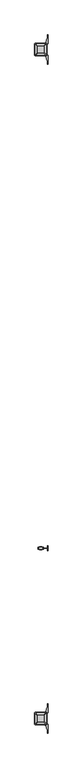
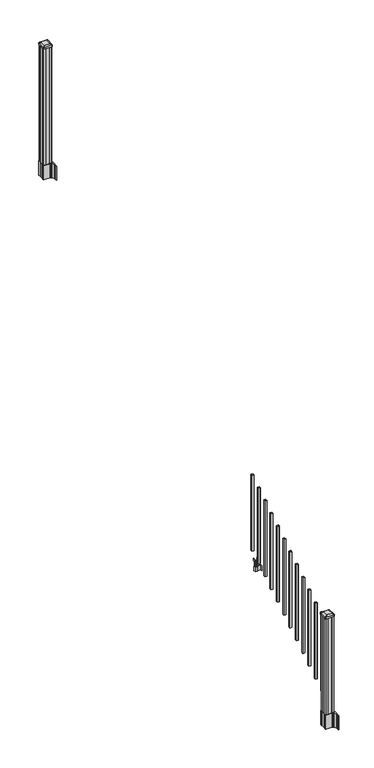
"""IFC4 building model written with IfcOpenShell, lengths in millimetres: railing geometry."""

from ifc_helpers import new_model, si_unit, point, frame, frame_2d, origin, place, context, project, spatial, polyline, circle_curve, trimmed, segment, composite_curve, outline, extrude, source, transform, mapped, element, save
from ifc_brep_helpers import plane_surface, extruded_surface, advanced_brep


def railing_d8ca8289(model_context):
    return source(origin(), model_context, "Body", "SolidModel", [
        extrude(outline(polyline([(7302.5407728, -128101.8918453), (7302.5407728, -128082.8418453), (7321.5907728, -128082.8418453), (7321.5907728, -128101.8918453), (7302.5407728, -128101.8918453)]), holes=[polyline([(7302.9376478, -128101.4949703), (7321.1938978, -128101.4949703), (7321.1938978, -128083.2387203), (7302.9376478, -128083.2387203), (7302.9376478, -128101.4949703)])]), frame((0.0, 0.0, 1089.6558781), z_axis=(0.0, 0.0, 1.0), x_axis=(1.0, 0.0, 0.0)), (0.0, 0.0, 1.0), 812.8041219),
        extrude(outline(polyline([(7322.7337726, -128149.2628453), (7322.7337726, -128146.7228453), (7362.1037728, -128146.7228453), (7362.1037728, -128149.2628453), (7322.7337726, -128149.2628453)])), frame((0.0, 0.0, 902.49375), z_axis=(0.0, 0.0, 1.0), x_axis=(1.0, 0.0, 0.0)), (0.0, 0.0, 1.0), 50.8),
        extrude(outline(polyline([(7362.1037728, -128167.0428453), (7362.1037728, -128128.9428453), (7364.6437728, -128128.9428453), (7364.6437728, -128167.0428453), (7362.1037728, -128167.0428453)])), frame((0.0, 0.0, 902.49375), z_axis=(0.0, 0.0, 1.0), x_axis=(1.0, 0.0, 0.0)), (0.0, 0.0, 1.0), 50.8),
        extrude(outline(polyline([(7301.397772, -128157.8988453), (7301.397772, -128138.0868453), (7322.7337726, -128138.0868453), (7322.7337726, -128157.8988453), (7301.397772, -128157.8988453)]), holes=[polyline([(7304.6997721, -128155.3588453), (7319.4317725, -128155.3588453), (7319.4317725, -128140.6268453), (7304.6997721, -128140.6268453), (7304.6997721, -128155.3588453)])]), frame((0.0, 0.0, 902.49375), z_axis=(0.0, 0.0, 1.0), x_axis=(1.0, 0.0, 0.0)), (0.0, 0.0, 1.0), 50.8),
        extrude(outline(polyline([(1042.0141479, 7330.2267716), (1042.0141479, 7328.194772), (1040.9981453, 7327.1787722), (1030.5623581, 7327.1787722), (1029.5463573, 7328.194772), (1017.555751, 7328.194772), (1016.7937519, 7327.4327729), (1016.7937519, 7296.6987717), (1017.555751, 7295.9367726), (1029.5463573, 7295.9367726), (1030.5623581, 7296.9527724), (1040.9981453, 7296.9527724), (1042.0141479, 7295.9367726), (1042.0141479, 7293.904773), (1041.2521469, 7293.142772), (1014.7617523, 7293.142772), (1013.9997513, 7293.904773), (1013.9997513, 7303.937772), (1013.2377512, 7304.6997721), (949.7377512, 7304.6997721), (949.7377512, 7319.4317725), (1013.2377512, 7319.4317725), (1013.9997513, 7320.1937726), (1013.9997513, 7330.2267716), (1014.7617523, 7330.9887726), (1041.2521469, 7330.9887726), (1042.0141479, 7330.2267716)]), holes=[polyline([(1013.9997513, 7308.6367724), (1013.9997513, 7315.4947722), (1013.2377512, 7316.2567723), (957.2307503, 7316.2567723), (956.4687531, 7315.4947751), (956.4687531, 7308.6367724), (957.2307531, 7307.8747723), (1013.2377512, 7307.8747723), (1013.9997513, 7308.6367724)])]), frame((0.0, -128155.3588453, 0.0), z_axis=(0.0, 1.0, 0.0), x_axis=(0.0, 0.0, 1.0)), (0.0, 0.0, 1.0), 14.732),
        extrude(outline(polyline([(7302.5407728, -128213.1438453), (7302.5407728, -128194.0938453), (7321.5907728, -128194.0938453), (7321.5907728, -128213.1438453), (7302.5407728, -128213.1438453)]), holes=[polyline([(7302.9376478, -128212.7469703), (7321.1938978, -128212.7469703), (7321.1938978, -128194.4907203), (7302.9376478, -128194.4907203), (7302.9376478, -128212.7469703)])]), frame((0.0, 0.0, 1020.1233781), z_axis=(0.0, 0.0, 1.0), x_axis=(1.0, 0.0, 0.0)), (0.0, 0.0, 1.0), 812.8041219),
        extrude(outline(polyline([(7302.5407728, -128324.3958453), (7302.5407728, -128305.3458453), (7321.5907728, -128305.3458453), (7321.5907728, -128324.3958453), (7302.5407728, -128324.3958453)]), holes=[polyline([(7302.9376478, -128323.9989703), (7321.1938978, -128323.9989703), (7321.1938978, -128305.7427203), (7302.9376478, -128305.7427203), (7302.9376478, -128323.9989703)])]), frame((0.0, 0.0, 950.5908781), z_axis=(0.0, 0.0, 1.0), x_axis=(1.0, 0.0, 0.0)), (0.0, 0.0, 1.0), 812.8041219),
        extrude(outline(polyline([(7302.5407728, -128435.6478453), (7302.5407728, -128416.5978453), (7321.5907728, -128416.5978453), (7321.5907728, -128435.6478453), (7302.5407728, -128435.6478453)]), holes=[polyline([(7302.9376478, -128435.2509703), (7321.1938978, -128435.2509703), (7321.1938978, -128416.9947203), (7302.9376478, -128416.9947203), (7302.9376478, -128435.2509703)])]), frame((0.0, 0.0, 881.0583781), z_axis=(0.0, 0.0, 1.0), x_axis=(1.0, 0.0, 0.0)), (0.0, 0.0, 1.0), 812.8041219),
        extrude(outline(polyline([(7302.5407728, -128546.8998453), (7302.5407728, -128527.8498453), (7321.5907728, -128527.8498453), (7321.5907728, -128546.8998453), (7302.5407728, -128546.8998453)]), holes=[polyline([(7302.9376478, -128546.5029703), (7321.1938978, -128546.5029703), (7321.1938978, -128528.2467203), (7302.9376478, -128528.2467203), (7302.9376478, -128546.5029703)])]), frame((0.0, 0.0, 811.5258781), z_axis=(0.0, 0.0, 1.0), x_axis=(1.0, 0.0, 0.0)), (0.0, 0.0, 1.0), 812.8041219),
        extrude(outline(polyline([(7302.5407728, -128658.1518453), (7302.5407728, -128639.1018453), (7321.5907728, -128639.1018453), (7321.5907728, -128658.1518453), (7302.5407728, -128658.1518453)]), holes=[polyline([(7302.9376478, -128657.7549703), (7321.1938978, -128657.7549703), (7321.1938978, -128639.4987203), (7302.9376478, -128639.4987203), (7302.9376478, -128657.7549703)])]), frame((0.0, 0.0, 741.9933781), z_axis=(0.0, 0.0, 1.0), x_axis=(1.0, 0.0, 0.0)), (0.0, 0.0, 1.0), 812.8041219),
        extrude(outline(polyline([(7302.5407728, -128769.4038453), (7302.5407728, -128750.3538453), (7321.5907728, -128750.3538453), (7321.5907728, -128769.4038453), (7302.5407728, -128769.4038453)]), holes=[polyline([(7302.9376478, -128769.0069703), (7321.1938978, -128769.0069703), (7321.1938978, -128750.7507203), (7302.9376478, -128750.7507203), (7302.9376478, -128769.0069703)])]), frame((0.0, 0.0, 672.4608781), z_axis=(0.0, 0.0, 1.0), x_axis=(1.0, 0.0, 0.0)), (0.0, 0.0, 1.0), 812.8041219),
        extrude(outline(polyline([(7302.5407728, -128880.6558453), (7302.5407728, -128861.6058453), (7321.5907728, -128861.6058453), (7321.5907728, -128880.6558453), (7302.5407728, -128880.6558453)]), holes=[polyline([(7302.9376478, -128880.2589703), (7321.1938978, -128880.2589703), (7321.1938978, -128862.0027203), (7302.9376478, -128862.0027203), (7302.9376478, -128880.2589703)])]), frame((0.0, 0.0, 602.9283781), z_axis=(0.0, 0.0, 1.0), x_axis=(1.0, 0.0, 0.0)), (0.0, 0.0, 1.0), 812.8041219),
        extrude(outline(polyline([(7302.5407728, -128991.9078453), (7302.5407728, -128972.8578453), (7321.5907728, -128972.8578453), (7321.5907728, -128991.9078453), (7302.5407728, -128991.9078453)]), holes=[polyline([(7302.9376478, -128991.5109703), (7321.1938978, -128991.5109703), (7321.1938978, -128973.2547203), (7302.9376478, -128973.2547203), (7302.9376478, -128991.5109703)])]), frame((0.0, 0.0, 533.3958781), z_axis=(0.0, 0.0, 1.0), x_axis=(1.0, 0.0, 0.0)), (0.0, 0.0, 1.0), 812.8041219),
        extrude(outline(polyline([(7302.5407728, -129103.1598453), (7302.5407728, -129084.1098453), (7321.5907728, -129084.1098453), (7321.5907728, -129103.1598453), (7302.5407728, -129103.1598453)]), holes=[polyline([(7302.9376478, -129102.7629703), (7321.1938978, -129102.7629703), (7321.1938978, -129084.5067203), (7302.9376478, -129084.5067203), (7302.9376478, -129102.7629703)])]), frame((0.0, 0.0, 463.8633781), z_axis=(0.0, 0.0, 1.0), x_axis=(1.0, 0.0, 0.0)), (0.0, 0.0, 1.0), 812.8041219),
        extrude(outline(polyline([(7302.5407728, -129214.4118453), (7302.5407728, -129195.3618453), (7321.5907728, -129195.3618453), (7321.5907728, -129214.4118453), (7302.5407728, -129214.4118453)]), holes=[polyline([(7302.9376478, -129214.0149703), (7321.1938978, -129214.0149703), (7321.1938978, -129195.7587203), (7302.9376478, -129195.7587203), (7302.9376478, -129214.0149703)])]), frame((0.0, 0.0, 394.3308781), z_axis=(0.0, 0.0, 1.0), x_axis=(1.0, 0.0, 0.0)), (0.0, 0.0, 1.0), 812.8041219),
        extrude(outline(polyline([(7302.5407728, -129325.6638453), (7302.5407728, -129306.6138453), (7321.5907728, -129306.6138453), (7321.5907728, -129325.6638453), (7302.5407728, -129325.6638453)]), holes=[polyline([(7302.9376478, -129325.2669703), (7321.1938978, -129325.2669703), (7321.1938978, -129307.0107203), (7302.9376478, -129307.0107203), (7302.9376478, -129325.2669703)])]), frame((0.0, 0.0, 324.7983781), z_axis=(0.0, 0.0, 1.0), x_axis=(1.0, 0.0, 0.0)), (0.0, 0.0, 1.0), 812.8041219),
        extrude(outline(polyline([(7351.7532728, -124491.5358453), (7332.1317728, -124491.5358453), (7331.3697728, -124489.9483453), (7292.7617728, -124489.9483453), (7291.9997728, -124491.5358453), (7272.3782728, -124491.5358453), (7270.7907728, -124489.9483453), (7270.7907728, -124470.3268453), (7272.3782728, -124469.5648453), (7272.3782728, -124430.9568453), (7270.7907728, -124430.1948453), (7270.7907728, -124410.5733453), (7272.3782728, -124408.9858453), (7291.9997728, -124408.9858453), (7292.7617728, -124410.5733453), (7331.3697728, -124410.5733453), (7332.1317728, -124408.9858453), (7351.7532728, -124408.9858453), (7353.3407728, -124410.5733453), (7353.3407728, -124430.1948453), (7351.7532728, -124430.9568453), (7351.7532728, -124469.5648453), (7353.3407728, -124470.3268453), (7353.3407728, -124489.9483453), (7351.7532728, -124491.5358453)])), frame((0.0, 0.0, 3048.0), z_axis=(0.0, 0.0, 1.0), x_axis=(1.0, 0.0, 0.0)), (0.0, 0.0, 1.0), 1247.740513),
        extrude(outline(composite_curve([segment(polyline([(7269.3302728, -124467.6469401), (7269.3302728, -124432.8747504), (7267.7427728, -124432.1127504), (7267.7427728, -124409.3108224), (7271.1157498, -124405.9378453), (7332.5754206, -124405.9378453), (7332.5754206, -124405.0170953), (7337.8929645, -124405.0170953), (7337.8929645, -124403.5628406), (7342.9774942, -124403.5628406), (7342.9774942, -124402.2788168), (7344.6447665, -124402.2788168)]), True, "CONTINUOUS"), segment(trimmed(circle_curve(frame_2d((7344.6447665, -124395.2193569)), 7.0594599), [point((7344.6447665, -124402.2788168))], [point((7351.4120293, -124397.2293636))], True, "CARTESIAN"), True, "CONTINUOUS"), segment(polyline([(7351.4120293, -124397.2293636), (7359.2862236, -124370.7186345)]), True, "CONTINUOUS"), segment(trimmed(circle_curve(frame_2d((7304.5017103, -124354.4465848)), 57.15), [point((7359.2862236, -124370.7186345))], [point((7361.6517103, -124354.4465848))], True, "CARTESIAN"), True, "CONTINUOUS"), segment(polyline([(7361.6517103, -124354.4465848), (7361.6517103, -124342.4378453), (7364.6517103, -124342.4378453), (7364.6517103, -124407.5253453), (7356.3887728, -124418.8636366), (7356.3887728, -124432.1127504), (7354.8012728, -124432.8747504), (7354.8012728, -124467.6469401), (7356.3887728, -124468.4089401), (7356.3887728, -124481.658054), (7364.6517103, -124492.9963453), (7364.6517103, -124558.0838453), (7361.6517103, -124558.0838453), (7361.6517103, -124546.0751057)]), True, "CONTINUOUS"), segment(trimmed(circle_curve(frame_2d((7304.5017103, -124546.0751057)), 57.15), [point((7361.6517103, -124546.0751057))], [point((7359.2862236, -124529.8030561))], True, "CARTESIAN"), True, "CONTINUOUS"), segment(polyline([(7359.2862236, -124529.8030561), (7351.4120293, -124503.292327)]), True, "CONTINUOUS"), segment(trimmed(circle_curve(frame_2d((7344.6447665, -124505.3023337)), 7.0594599), [point((7351.4120293, -124503.292327))], [point((7344.6447665, -124498.2428738))], True, "CARTESIAN"), True, "CONTINUOUS"), segment(polyline([(7344.6447665, -124498.2428738), (7342.9774942, -124498.2428738), (7342.9774942, -124496.95885), (7337.8929645, -124496.95885), (7337.8929645, -124495.5045953), (7332.5754206, -124495.5045953), (7332.5754206, -124494.5838453), (7271.1157498, -124494.5838453), (7267.7427728, -124491.2108682), (7267.7427728, -124468.4089401), (7269.3302728, -124467.6469401)]), True, "CONTINUOUS")], self_intersect=False), holes=[polyline([(7353.3407728, -124410.5733453), (7351.7532728, -124408.9858453), (7314.8289902, -124408.9858453), (7272.3782728, -124408.9858453), (7270.7907728, -124410.5733453), (7270.7907728, -124489.9483453), (7272.3782728, -124491.5358453), (7314.8289902, -124491.5358453), (7351.7532728, -124491.5358453), (7353.3407728, -124489.9483453), (7353.3407728, -124410.5733453)])]), frame((0.0, 0.0, 2895.6), z_axis=(0.0, 0.0, 1.0), x_axis=(1.0, 0.0, 0.0)), (0.0, 0.0, 1.0), 152.4),
        advanced_brep(
        [(7337.8626478, -124479.2327203, 4324.315513), (7341.0376478, -124476.0577203, 4324.315513), (7341.0376478, -124424.4639703, 4324.315513), (7337.8626478, -124421.2889703, 4324.315513), (7286.2688978, -124421.2889703, 4324.315513), (7283.0938978, -124424.4639703, 4324.315513), (7283.0938978, -124476.0577203, 4324.315513), (7286.2688978, -124479.2327203, 4324.315513), (7354.1345228, -124495.5045953, 4313.012513), (7269.9970228, -124495.5045953, 4313.012513), (7266.8220228, -124492.3295953, 4313.012513), (7266.8220228, -124408.1920953, 4313.012513), (7269.9970228, -124405.0170953, 4313.012513), (7354.1345228, -124405.0170953, 4313.012513), (7357.3095228, -124408.1920953, 4313.012513), (7357.3095228, -124492.3295953, 4313.012513)],
        [
            (0, 1, circle_curve(frame((7337.8626478, -124476.0577203, 4324.315513), z_axis=(0.0, 0.0, 1.0), x_axis=(0.0, 1.0, 0.0)), 3.175)),
            (1, 2),
            (2, 3, circle_curve(frame((7337.8626478, -124424.4639703, 4324.315513), z_axis=(0.0, 0.0, 1.0), x_axis=(0.0, 1.0, 0.0)), 3.175)),
            (3, 4),
            (4, 5, circle_curve(frame((7286.2688978, -124424.4639703, 4324.315513), z_axis=(0.0, 0.0, 1.0), x_axis=(0.0, 1.0, 0.0)), 3.175)),
            (5, 6),
            (6, 7, circle_curve(frame((7286.2688978, -124476.0577203, 4324.315513), z_axis=(0.0, 0.0, 1.0), x_axis=(0.0, 1.0, 0.0)), 3.175)),
            (7, 0),
            (8, 9),
            (9, 10, circle_curve(frame((7269.9970228, -124492.3295953, 4313.012513), z_axis=(0.0, 0.0, -1.0), x_axis=(0.0, 1.0, 0.0)), 3.175)),
            (10, 11),
            (11, 12, circle_curve(frame((7269.9970228, -124408.1920953, 4313.012513), z_axis=(0.0, 0.0, -1.0), x_axis=(0.0, 1.0, 0.0)), 3.175)),
            (12, 13),
            (13, 14, circle_curve(frame((7354.1345228, -124408.1920953, 4313.012513), z_axis=(0.0, 0.0, -1.0), x_axis=(0.0, 1.0, 0.0)), 3.175)),
            (14, 15),
            (15, 8, circle_curve(frame((7354.1345228, -124492.3295953, 4313.012513), z_axis=(0.0, 0.0, -1.0), x_axis=(0.0, 1.0, 0.0)), 3.175)),
            (15, 1),
            (0, 8),
            (14, 2),
            (13, 3),
            (12, 4),
            (11, 5),
            (10, 6),
            (9, 7),
        ],
        [
            plane_surface(frame((7312.0657728, -124450.2608453, 4324.315513), z_axis=(0.0, 0.0, 1.0), x_axis=(1.0, 0.0, 0.0))),
            plane_surface(frame((7312.0657728, -124450.2608453, 4313.012513), z_axis=(0.0, 0.0, -1.0), x_axis=(1.0, 0.0, 0.0))),
            extruded_surface(trimmed(circle_curve(frame((7354.1345228, -124492.3295953, 4313.012513), z_axis=(0.0, 0.0, 1.0), x_axis=(0.0, 1.0, 0.0)), 3.175), [point((7354.1345228, -124495.5045953, 4313.012513))], [point((7357.3095228, -124492.3295953, 4313.012513))], True, "CARTESIAN"), (-16.271875000000364, 16.27187500000582, 11.302999999999884), 25.637972638870036),
            plane_surface(frame((7357.3095228, -124450.2608453, 4313.012513), z_axis=(0.5705009161540687, 0.0, 0.8212969649690472), x_axis=(0.0, 1.0, 0.0))),
            extruded_surface(trimmed(circle_curve(frame((7354.1345228, -124408.1920953, 4313.012513), z_axis=(0.0, 0.0, 1.0), x_axis=(0.0, 1.0, 0.0)), 3.175), [point((7357.3095228, -124408.1920953, 4313.012513))], [point((7354.1345228, -124405.0170953, 4313.012513))], True, "CARTESIAN"), (-16.271875000000364, -16.27187500000582, 11.302999999999884), 25.637972638870036),
            plane_surface(frame((7312.0657728, -124405.0170953, 4313.012513), z_axis=(0.0, 0.5705009161540291, 0.8212969649690747), x_axis=(-1.0, 0.0, 0.0))),
            extruded_surface(trimmed(circle_curve(frame((7269.9970228, -124408.1920953, 4313.012513), z_axis=(0.0, 0.0, 1.0), x_axis=(0.0, 1.0, 0.0)), 3.175), [point((7269.9970228, -124405.0170953, 4313.012513))], [point((7266.8220228, -124408.1920953, 4313.012513))], True, "CARTESIAN"), (16.271874999999454, -16.27187500000582, 11.302999999999884), 25.63797263886946),
            plane_surface(frame((7266.8220228, -124450.2608453, 4313.012513), z_axis=(-0.5705009161540233, 0.0, 0.8212969649690787), x_axis=(0.0, -1.0, 0.0))),
            extruded_surface(trimmed(circle_curve(frame((7269.9970228, -124492.3295953, 4313.012513), z_axis=(0.0, 0.0, 1.0), x_axis=(0.0, 1.0, 0.0)), 3.175), [point((7266.8220228, -124492.3295953, 4313.012513))], [point((7269.9970228, -124495.5045953, 4313.012513))], True, "CARTESIAN"), (16.271874999999454, 16.27187500000582, 11.302999999999884), 25.63797263886946),
            plane_surface(frame((7312.0657728, -124495.5045953, 4313.012513), z_axis=(0.0, -0.570500916154034, 0.8212969649690713), x_axis=(1.0, 0.0, 0.0))),
        ],
        [
            (0, [[1, 2, 3, 4, 5, 6, 7, 8]]),
            (1, [[9, 10, 11, 12, 13, 14, 15, 16]]),
            (2, [[-16, 17, -1, 18]]),
            (3, [[-15, 19, -2, -17]]),
            (4, [[-14, 20, -3, -19]]),
            (5, [[-13, 21, -4, -20]]),
            (6, [[-12, 22, -5, -21]]),
            (7, [[-11, 23, -6, -22]]),
            (8, [[-10, 24, -7, -23]]),
            (9, [[-9, -18, -8, -24]]),
        ],
    ),
        extrude(outline(composite_curve([segment(polyline([(7354.1345228, -124495.5045953), (7269.9970228, -124495.5045953)]), True, "CONTINUOUS"), segment(trimmed(circle_curve(frame_2d((7269.9970228, -124492.3295953)), 3.175), [point((7269.9970228, -124495.5045953))], [point((7266.8220228, -124492.3295953))], False, "CARTESIAN"), True, "CONTINUOUS"), segment(polyline([(7266.8220228, -124492.3295953), (7266.8220228, -124408.1920953)]), True, "CONTINUOUS"), segment(trimmed(circle_curve(frame_2d((7269.9970228, -124408.1920953)), 3.175), [point((7266.8220228, -124408.1920953))], [point((7269.9970228, -124405.0170953))], False, "CARTESIAN"), True, "CONTINUOUS"), segment(polyline([(7269.9970228, -124405.0170953), (7354.1345228, -124405.0170953)]), True, "CONTINUOUS"), segment(trimmed(circle_curve(frame_2d((7354.1345228, -124408.1920953)), 3.175), [point((7354.1345228, -124405.0170953))], [point((7357.3095228, -124408.1920953))], False, "CARTESIAN"), True, "CONTINUOUS"), segment(polyline([(7357.3095228, -124408.1920953), (7357.3095228, -124492.3295953)]), True, "CONTINUOUS"), segment(trimmed(circle_curve(frame_2d((7354.1345228, -124492.3295953)), 3.175), [point((7357.3095228, -124492.3295953))], [point((7354.1345228, -124495.5045953))], False, "CARTESIAN"), True, "CONTINUOUS")], self_intersect=False)), frame((0.0, 0.0, 4295.740513), z_axis=(0.0, 0.0, 1.0), x_axis=(1.0, 0.0, 0.0)), (0.0, 0.0, 1.0), 17.272),
        extrude(outline(composite_curve([segment(polyline([(7269.3302728, -129427.2509401), (7269.3302728, -129392.4787504), (7267.7427728, -129391.7167504), (7267.7427728, -129368.9148224), (7271.1157498, -129365.5418453), (7332.5754206, -129365.5418453), (7332.5754206, -129364.6210953), (7337.8929645, -129364.6210953), (7337.8929645, -129363.1668406), (7342.9774942, -129363.1668406), (7342.9774942, -129361.8828168), (7344.6447665, -129361.8828168)]), True, "CONTINUOUS"), segment(trimmed(circle_curve(frame_2d((7344.6447665, -129354.8233569)), 7.0594599), [point((7344.6447665, -129361.8828168))], [point((7351.4120293, -129356.8333636))], True, "CARTESIAN"), True, "CONTINUOUS"), segment(polyline([(7351.4120293, -129356.8333636), (7359.2862236, -129330.3226345)]), True, "CONTINUOUS"), segment(trimmed(circle_curve(frame_2d((7304.5017103, -129314.0505848)), 57.15), [point((7359.2862236, -129330.3226345))], [point((7361.6517103, -129314.0505848))], True, "CARTESIAN"), True, "CONTINUOUS"), segment(polyline([(7361.6517103, -129314.0505848), (7361.6517103, -129302.0418453), (7364.6517103, -129302.0418453), (7364.6517103, -129367.1293453), (7356.3887728, -129378.4676366), (7356.3887728, -129391.7167504), (7354.8012728, -129392.4787504), (7354.8012728, -129427.2509401), (7356.3887728, -129428.0129401), (7356.3887728, -129441.262054), (7364.6517103, -129452.6003453), (7364.6517103, -129517.6878453), (7361.6517103, -129517.6878453), (7361.6517103, -129505.6791057)]), True, "CONTINUOUS"), segment(trimmed(circle_curve(frame_2d((7304.5017103, -129505.6791057)), 57.15), [point((7361.6517103, -129505.6791057))], [point((7359.2862236, -129489.4070561))], True, "CARTESIAN"), True, "CONTINUOUS"), segment(polyline([(7359.2862236, -129489.4070561), (7351.4120293, -129462.896327)]), True, "CONTINUOUS"), segment(trimmed(circle_curve(frame_2d((7344.6447665, -129464.9063337)), 7.0594599), [point((7351.4120293, -129462.896327))], [point((7344.6447665, -129457.8468738))], True, "CARTESIAN"), True, "CONTINUOUS"), segment(polyline([(7344.6447665, -129457.8468738), (7342.9774942, -129457.8468738), (7342.9774942, -129456.56285), (7337.8929645, -129456.56285), (7337.8929645, -129455.1085953), (7332.5754206, -129455.1085953), (7332.5754206, -129454.1878453), (7271.1157498, -129454.1878453), (7267.7427728, -129450.8148682), (7267.7427728, -129428.0129401), (7269.3302728, -129427.2509401)]), True, "CONTINUOUS")], self_intersect=False), holes=[polyline([(7353.3407728, -129370.1773453), (7351.7532728, -129368.5898453), (7314.8289902, -129368.5898453), (7272.3782728, -129368.5898453), (7270.7907728, -129370.1773453), (7270.7907728, -129449.5523453), (7272.3782728, -129451.1398453), (7314.8289902, -129451.1398453), (7351.7532728, -129451.1398453), (7353.3407728, -129449.5523453), (7353.3407728, -129370.1773453)])]), frame((0.0, 0.0, 12.22375), z_axis=(0.0, 0.0, 1.0), x_axis=(1.0, 0.0, 0.0)), (0.0, 0.0, 1.0), 152.4),
        advanced_brep(
        [(7337.8626478, -129438.8367203, 1224.563013), (7341.0376478, -129435.6617203, 1224.563013), (7341.0376478, -129384.0679703, 1224.563013), (7337.8626478, -129380.8929703, 1224.563013), (7286.2688978, -129380.8929703, 1224.563013), (7283.0938978, -129384.0679703, 1224.563013), (7283.0938978, -129435.6617203, 1224.563013), (7286.2688978, -129438.8367203, 1224.563013), (7354.1345228, -129455.1085953, 1213.260013), (7269.9970228, -129455.1085953, 1213.260013), (7266.8220228, -129451.9335953, 1213.260013), (7266.8220228, -129367.7960953, 1213.260013), (7269.9970228, -129364.6210953, 1213.260013), (7354.1345228, -129364.6210953, 1213.260013), (7357.3095228, -129367.7960953, 1213.260013), (7357.3095228, -129451.9335953, 1213.260013)],
        [
            (0, 1, circle_curve(frame((7337.8626478, -129435.6617203, 1224.563013), z_axis=(0.0, 0.0, 1.0), x_axis=(0.0, 1.0, 0.0)), 3.175)),
            (1, 2),
            (2, 3, circle_curve(frame((7337.8626478, -129384.0679703, 1224.563013), z_axis=(0.0, 0.0, 1.0), x_axis=(0.0, 1.0, 0.0)), 3.175)),
            (3, 4),
            (4, 5, circle_curve(frame((7286.2688978, -129384.0679703, 1224.563013), z_axis=(0.0, 0.0, 1.0), x_axis=(0.0, 1.0, 0.0)), 3.175)),
            (5, 6),
            (6, 7, circle_curve(frame((7286.2688978, -129435.6617203, 1224.563013), z_axis=(0.0, 0.0, 1.0), x_axis=(0.0, 1.0, 0.0)), 3.175)),
            (7, 0),
            (8, 9),
            (9, 10, circle_curve(frame((7269.9970228, -129451.9335953, 1213.260013), z_axis=(0.0, 0.0, -1.0), x_axis=(0.0, 1.0, 0.0)), 3.175)),
            (10, 11),
            (11, 12, circle_curve(frame((7269.9970228, -129367.7960953, 1213.260013), z_axis=(0.0, 0.0, -1.0), x_axis=(0.0, 1.0, 0.0)), 3.175)),
            (12, 13),
            (13, 14, circle_curve(frame((7354.1345228, -129367.7960953, 1213.260013), z_axis=(0.0, 0.0, -1.0), x_axis=(0.0, 1.0, 0.0)), 3.175)),
            (14, 15),
            (15, 8, circle_curve(frame((7354.1345228, -129451.9335953, 1213.260013), z_axis=(0.0, 0.0, -1.0), x_axis=(0.0, 1.0, 0.0)), 3.175)),
            (15, 1),
            (0, 8),
            (14, 2),
            (13, 3),
            (12, 4),
            (11, 5),
            (10, 6),
            (9, 7),
        ],
        [
            plane_surface(frame((7312.0657728, -129409.8648453, 1224.563013), z_axis=(0.0, 0.0, 1.0), x_axis=(1.0, 0.0, 0.0))),
            plane_surface(frame((7312.0657728, -129409.8648453, 1213.260013), z_axis=(0.0, 0.0, -1.0), x_axis=(1.0, 0.0, 0.0))),
            extruded_surface(trimmed(circle_curve(frame((7354.1345228, -129451.9335953, 1213.260013), z_axis=(0.0, 0.0, 1.0), x_axis=(0.0, 1.0, 0.0)), 3.175), [point((7354.1345228, -129455.1085953, 1213.260013))], [point((7357.3095228, -129451.9335953, 1213.260013))], True, "CARTESIAN"), (-16.271875000000364, 16.27187499999127, 11.302999999999884), 25.637972638860802),
            plane_surface(frame((7357.3095228, -129409.8648453, 1213.260013), z_axis=(0.5705009161540778, 0.0, 0.8212969649690408), x_axis=(0.0, 1.0, 0.0))),
            extruded_surface(trimmed(circle_curve(frame((7354.1345228, -129367.7960953, 1213.260013), z_axis=(0.0, 0.0, 1.0), x_axis=(0.0, 1.0, 0.0)), 3.175), [point((7357.3095228, -129367.7960953, 1213.260013))], [point((7354.1345228, -129364.6210953, 1213.260013))], True, "CARTESIAN"), (-16.271875000000364, -16.27187500000582, 11.302999999999884), 25.637972638870036),
            plane_surface(frame((7312.0657728, -129364.6210953, 1213.260013), z_axis=(0.0, 0.5705009161540291, 0.8212969649690747), x_axis=(-1.0, 0.0, 0.0))),
            extruded_surface(trimmed(circle_curve(frame((7269.9970228, -129367.7960953, 1213.260013), z_axis=(0.0, 0.0, 1.0), x_axis=(0.0, 1.0, 0.0)), 3.175), [point((7269.9970228, -129364.6210953, 1213.260013))], [point((7266.8220228, -129367.7960953, 1213.260013))], True, "CARTESIAN"), (16.271874999999454, -16.27187500000582, 11.302999999999884), 25.63797263886946),
            plane_surface(frame((7266.8220228, -129409.8648453, 1213.260013), z_axis=(-0.5705009161540142, 0.0, 0.8212969649690851), x_axis=(0.0, -1.0, 0.0))),
            extruded_surface(trimmed(circle_curve(frame((7269.9970228, -129451.9335953, 1213.260013), z_axis=(0.0, 0.0, 1.0), x_axis=(0.0, 1.0, 0.0)), 3.175), [point((7266.8220228, -129451.9335953, 1213.260013))], [point((7269.9970228, -129455.1085953, 1213.260013))], True, "CARTESIAN"), (16.271874999999454, 16.27187499999127, 11.302999999999884), 25.637972638860223),
            plane_surface(frame((7312.0657728, -129455.1085953, 1213.260013), z_axis=(0.0, -0.570500916154034, 0.8212969649690713), x_axis=(1.0, 0.0, 0.0))),
        ],
        [
            (0, [[1, 2, 3, 4, 5, 6, 7, 8]]),
            (1, [[9, 10, 11, 12, 13, 14, 15, 16]]),
            (2, [[-16, 17, -1, 18]]),
            (3, [[-15, 19, -2, -17]]),
            (4, [[-14, 20, -3, -19]]),
            (5, [[-13, 21, -4, -20]]),
            (6, [[-12, 22, -5, -21]]),
            (7, [[-11, 23, -6, -22]]),
            (8, [[-10, 24, -7, -23]]),
            (9, [[-9, -18, -8, -24]]),
        ],
    ),
        extrude(outline(composite_curve([segment(polyline([(7354.1345228, -129455.1085953), (7269.9970228, -129455.1085953)]), True, "CONTINUOUS"), segment(trimmed(circle_curve(frame_2d((7269.9970228, -129451.9335953)), 3.175), [point((7269.9970228, -129455.1085953))], [point((7266.8220228, -129451.9335953))], False, "CARTESIAN"), True, "CONTINUOUS"), segment(polyline([(7266.8220228, -129451.9335953), (7266.8220228, -129367.7960953)]), True, "CONTINUOUS"), segment(trimmed(circle_curve(frame_2d((7269.9970228, -129367.7960953)), 3.175), [point((7266.8220228, -129367.7960953))], [point((7269.9970228, -129364.6210953))], False, "CARTESIAN"), True, "CONTINUOUS"), segment(polyline([(7269.9970228, -129364.6210953), (7354.1345228, -129364.6210953)]), True, "CONTINUOUS"), segment(trimmed(circle_curve(frame_2d((7354.1345228, -129367.7960953)), 3.175), [point((7354.1345228, -129364.6210953))], [point((7357.3095228, -129367.7960953))], False, "CARTESIAN"), True, "CONTINUOUS"), segment(polyline([(7357.3095228, -129367.7960953), (7357.3095228, -129451.9335953)]), True, "CONTINUOUS"), segment(trimmed(circle_curve(frame_2d((7354.1345228, -129451.9335953)), 3.175), [point((7357.3095228, -129451.9335953))], [point((7354.1345228, -129455.1085953))], False, "CARTESIAN"), True, "CONTINUOUS")], self_intersect=False)), frame((0.0, 0.0, 1195.988013), z_axis=(0.0, 0.0, 1.0), x_axis=(1.0, 0.0, 0.0)), (0.0, 0.0, 1.0), 17.272),
        extrude(outline(polyline([(7351.7532728, -129451.1398453), (7332.1317728, -129451.1398453), (7331.3697728, -129449.5523453), (7292.7617728, -129449.5523453), (7291.9997728, -129451.1398453), (7272.3782728, -129451.1398453), (7270.7907728, -129449.5523453), (7270.7907728, -129429.9308453), (7272.3782728, -129429.1688453), (7272.3782728, -129390.5608453), (7270.7907728, -129389.7988453), (7270.7907728, -129370.1773453), (7272.3782728, -129368.5898453), (7291.9997728, -129368.5898453), (7292.7617728, -129370.1773453), (7331.3697728, -129370.1773453), (7332.1317728, -129368.5898453), (7351.7532728, -129368.5898453), (7353.3407728, -129370.1773453), (7353.3407728, -129389.7988453), (7351.7532728, -129390.5608453), (7351.7532728, -129429.1688453), (7353.3407728, -129429.9308453), (7353.3407728, -129449.5523453), (7351.7532728, -129451.1398453)])), frame((0.0, 0.0, 164.62375), z_axis=(0.0, 0.0, 1.0), x_axis=(1.0, 0.0, 0.0)), (0.0, 0.0, 1.0), 1031.364263),
    ])


if __name__ == "__main__":
    model = new_model("IFC4")
    model_context = context("Model", 3, world=origin())
    ifc_project = project(units=[si_unit("LENGTHUNIT", "METRE", prefix="MILLI")], contexts=[model_context])
    site = spatial("IfcSite", under=ifc_project)
    building = spatial("IfcBuilding", under=site)
    placement = place(None, origin())
    railing_shape = railing_d8ca8289(model_context)
    element("IfcRailing", 1, at=placement, inside=building, context=model_context, shape_type="MappedRepresentation", body=[
        mapped(railing_shape, transform((0.0, 0.0, 0.0), x_axis=(1.0, 0.0, 0.0), y_axis=(0.0, 1.0, 0.0), z_axis=(0.0, 0.0, 1.0))),
    ])
    save(model, "model.ifc")
